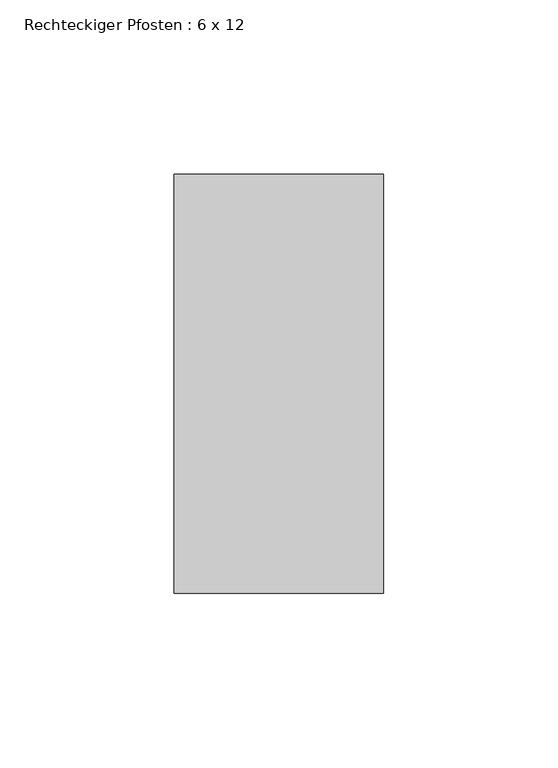
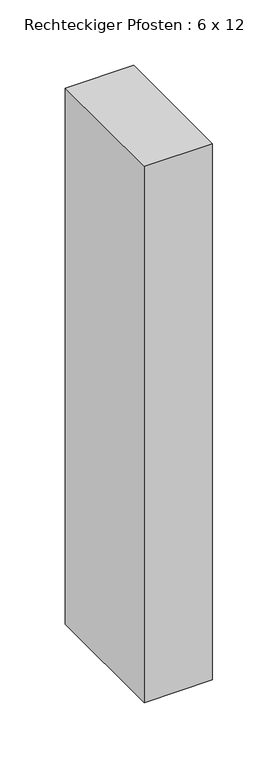
"""IFC4 building model written with IfcOpenShell, lengths in millimetres: member geometry, Rechteckiger Pfosten : 6 x 12."""

from ifc_helpers import new_model, si_unit, frame, origin, place, context, project, spatial, polyline, outline, extrude, source, transform, mapped, element, save


def rechteckiger_pfosten_6_x_12_2c97daf0(model_context):
    return source(origin(), model_context, "Body", "SweptSolid", [
        extrude(outline(polyline([(0.0, 60.0), (0.0, -60.0), (-60.0, -60.0), (-60.0, 60.0), (0.0, 60.0)])), frame((0.0, 0.0, -500.0), z_axis=(0.0, 0.0, 1.0), x_axis=(1.0, 0.0, 0.0)), (0.0, 0.0, 1.0), 500.0),
    ])


if __name__ == "__main__":
    model = new_model("IFC4")
    model_context = context("Model", 3, world=origin())
    ifc_project = project(units=[si_unit("LENGTHUNIT", "METRE", prefix="MILLI")], contexts=[model_context])
    site = spatial("IfcSite", under=ifc_project)
    building = spatial("IfcBuilding", under=site)
    placement = place(None, origin())
    rechteckiger_pfosten_6_x_12_shape = rechteckiger_pfosten_6_x_12_2c97daf0(model_context)
    element("IfcMember", 1, ObjectType="Rechteckiger Pfosten : 6 x 12", at=placement, inside=building, context=model_context, shape_type="MappedRepresentation", body=[
        mapped(rechteckiger_pfosten_6_x_12_shape, transform((0.0, 0.0, 0.0), x_axis=(1.0, 0.0, 0.0), y_axis=(0.0, 1.0, 0.0), z_axis=(0.0, 0.0, 1.0))),
    ])
    save(model, "model.ifc")
